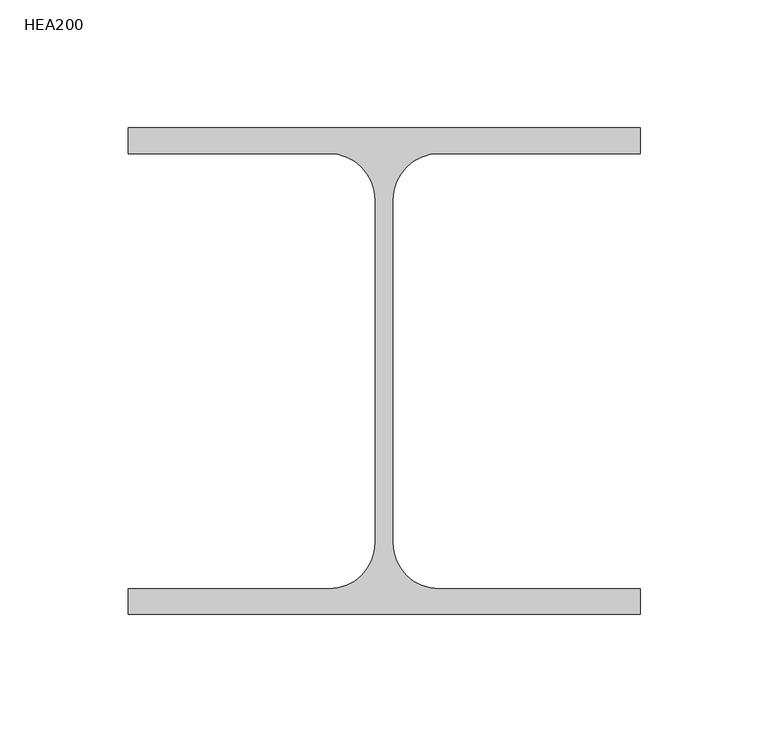
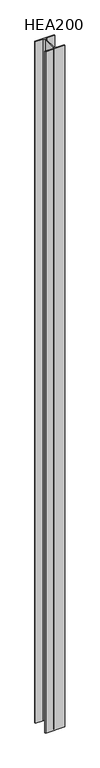
"""IFC4 building model written with IfcOpenShell, lengths in millimetres: column geometry, HEA200."""

from ifc_helpers import new_model, si_unit, point, frame, frame_2d, origin, place, context, project, spatial, polyline, circle_curve, trimmed, segment, composite_curve, outline, extrude, source, transform, mapped, element, save


def hea200_a96dc110(model_context):
    return source(origin(), model_context, "Body", "SweptSolid", [
        extrude(outline(composite_curve([segment(polyline([(-100.0, -95.0), (-100.0, -85.0), (-21.5, -85.0)]), True, "CONTINUOUS"), segment(trimmed(circle_curve(frame_2d((-21.5, -67.0)), 18.0), [point((-21.5, -85.0))], [point((-3.5, -67.0))], True, "CARTESIAN"), True, "CONTINUOUS"), segment(polyline([(-3.5, -67.0), (-3.5, 67.0)]), True, "CONTINUOUS"), segment(trimmed(circle_curve(frame_2d((-21.5, 67.0)), 18.0), [point((-3.5, 67.0))], [point((-21.5, 85.0))], True, "CARTESIAN"), True, "CONTINUOUS"), segment(polyline([(-21.5, 85.0), (-100.0, 85.0), (-100.0, 95.0), (100.0, 95.0), (100.0, 85.0), (21.5, 85.0)]), True, "CONTINUOUS"), segment(trimmed(circle_curve(frame_2d((21.5, 67.0)), 18.0), [point((21.5, 85.0))], [point((3.5, 67.0))], True, "CARTESIAN"), True, "CONTINUOUS"), segment(polyline([(3.5, 67.0), (3.5, -67.0)]), True, "CONTINUOUS"), segment(trimmed(circle_curve(frame_2d((21.5, -67.0)), 18.0), [point((3.5, -67.0))], [point((21.5, -85.0))], True, "CARTESIAN"), True, "CONTINUOUS"), segment(polyline([(21.5, -85.0), (100.0, -85.0), (100.0, -95.0), (-100.0, -95.0)]), True, "CONTINUOUS")], self_intersect=False)), frame((0.0, 0.0, -250.0), z_axis=(0.0, 0.0, 1.0), x_axis=(1.0, 0.0, 0.0)), (0.0, 0.0, 1.0), 7450.0),
    ])


if __name__ == "__main__":
    model = new_model("IFC4")
    model_context = context("Model", 3, world=origin())
    ifc_project = project(units=[si_unit("LENGTHUNIT", "METRE", prefix="MILLI")], contexts=[model_context])
    site = spatial("IfcSite", under=ifc_project)
    building = spatial("IfcBuilding", under=site)
    placement = place(None, origin())
    hea200_shape = hea200_a96dc110(model_context)
    element("IfcColumn", 1, ObjectType="HEA200", at=placement, inside=building, context=model_context, shape_type="MappedRepresentation", body=[
        mapped(hea200_shape, transform((0.0, 0.0, 0.0), x_axis=(1.0, 0.0, 0.0), y_axis=(0.0, 1.0, 0.0), z_axis=(0.0, 0.0, 1.0))),
    ])
    save(model, "model.ifc")
